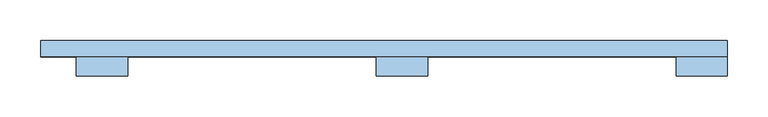
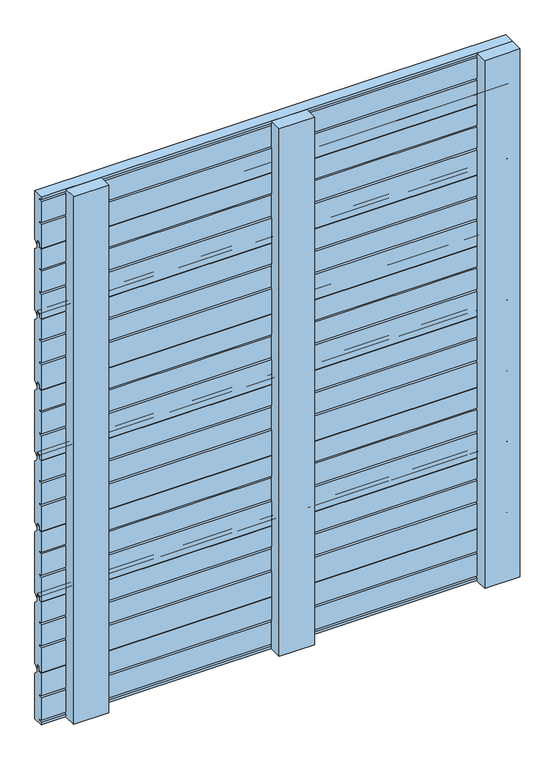
"""IFC4 building model written with IfcOpenShell, lengths in millimetres: window geometry."""

from ifc_helpers import new_model, si_unit, point, frame, frame_2d, origin, place, context, project, spatial, polyline, circle_curve, trimmed, segment, composite_curve, outline, extrude, source, transform, mapped, element, save


def window_1951578a(model_context):
    return source(origin(), model_context, "Body", "SweptSolid", [
        extrude(outline(composite_curve([segment(trimmed(circle_curve(frame_2d((65.5, 200.0)), 1.0), [point((66.5, 200.0))], [point((65.5, 199.0))], False, "CARTESIAN"), True, "CONTINUOUS"), segment(polyline([(65.5, 199.0), (60.0, 199.0), (60.0, 246.0), (66.5, 246.0), (66.5, 249.5), (60.5, 249.5), (60.5, 289.5), (66.5, 289.5), (66.5, 293.0), (60.0, 293.0), (60.0, 332.0), (66.5, 332.0), (66.5, 337.5)]), True, "CONTINUOUS"), segment(trimmed(circle_curve(frame_2d((68.0, 337.5)), 1.5), [point((66.5, 337.5))], [point((68.0, 339.0))], False, "CARTESIAN"), True, "CONTINUOUS"), segment(polyline([(68.0, 339.0), (71.5, 339.0)]), True, "CONTINUOUS"), segment(trimmed(circle_curve(frame_2d((71.5, 337.5)), 1.5), [point((71.5, 339.0))], [point((73.0, 337.5))], False, "CARTESIAN"), True, "CONTINUOUS"), segment(polyline([(73.0, 337.5), (73.0, 327.4142136)]), True, "CONTINUOUS"), segment(trimmed(circle_curve(frame_2d((74.0, 327.4142136)), 1.0), [point((73.0, 327.4142136))], [point((73.2928932, 326.7071068))], True, "CARTESIAN"), True, "CONTINUOUS"), segment(polyline([(73.2928932, 326.7071068), (79.5606602, 320.4393398)]), True, "CONTINUOUS"), segment(trimmed(circle_curve(frame_2d((78.5, 319.3786797)), 1.5), [point((79.5606602, 320.4393398))], [point((80.0, 319.3786797))], False, "CARTESIAN"), True, "CONTINUOUS"), segment(polyline([(80.0, 319.3786797), (80.0, 205.2071068)]), True, "CONTINUOUS"), segment(trimmed(circle_curve(frame_2d((78.5, 205.2071068)), 1.5), [point((80.0, 205.2071068))], [point((79.5606602, 204.1464466))], False, "CARTESIAN"), True, "CONTINUOUS"), segment(polyline([(79.5606602, 204.1464466), (74.7071068, 199.2928932)]), True, "CONTINUOUS"), segment(trimmed(circle_curve(frame_2d((74.0, 200.0)), 1.0), [point((74.7071068, 199.2928932))], [point((73.0, 200.0))], False, "CARTESIAN"), True, "CONTINUOUS"), segment(polyline([(73.0, 200.0), (73.0, 206.5)]), True, "CONTINUOUS"), segment(trimmed(circle_curve(frame_2d((71.5, 206.5)), 1.5), [point((73.0, 206.5))], [point((71.5, 208.0))], True, "CARTESIAN"), True, "CONTINUOUS"), segment(polyline([(71.5, 208.0), (68.0, 208.0)]), True, "CONTINUOUS"), segment(trimmed(circle_curve(frame_2d((68.0, 206.5)), 1.5), [point((68.0, 208.0))], [point((66.5, 206.5))], True, "CARTESIAN"), True, "CONTINUOUS"), segment(polyline([(66.5, 206.5), (66.5, 200.0)]), True, "CONTINUOUS")], self_intersect=False)), frame((-444.0, 0.0, 0.0), z_axis=(1.0, 0.0, 0.0), x_axis=(0.0, 1.0, 0.0)), (0.0, 0.0, 1.0), 844.0),
        extrude(outline(composite_curve([segment(trimmed(circle_curve(frame_2d((65.5, 334.0)), 1.0), [point((66.5, 334.0))], [point((65.5, 333.0))], False, "CARTESIAN"), True, "CONTINUOUS"), segment(polyline([(65.5, 333.0), (60.0, 333.0), (60.0, 380.0), (66.5, 380.0), (66.5, 383.5), (60.5, 383.5), (60.5, 423.5), (66.5, 423.5), (66.5, 427.0), (60.0, 427.0), (60.0, 466.0), (66.5, 466.0), (66.5, 471.5)]), True, "CONTINUOUS"), segment(trimmed(circle_curve(frame_2d((68.0, 471.5)), 1.5), [point((66.5, 471.5))], [point((68.0, 473.0))], False, "CARTESIAN"), True, "CONTINUOUS"), segment(polyline([(68.0, 473.0), (71.5, 473.0)]), True, "CONTINUOUS"), segment(trimmed(circle_curve(frame_2d((71.5, 471.5)), 1.5), [point((71.5, 473.0))], [point((73.0, 471.5))], False, "CARTESIAN"), True, "CONTINUOUS"), segment(polyline([(73.0, 471.5), (73.0, 461.4142136)]), True, "CONTINUOUS"), segment(trimmed(circle_curve(frame_2d((74.0, 461.4142136)), 1.0), [point((73.0, 461.4142136))], [point((73.2928932, 460.7071068))], True, "CARTESIAN"), True, "CONTINUOUS"), segment(polyline([(73.2928932, 460.7071068), (79.5606602, 454.4393398)]), True, "CONTINUOUS"), segment(trimmed(circle_curve(frame_2d((78.5, 453.3786797)), 1.5), [point((79.5606602, 454.4393398))], [point((80.0, 453.3786797))], False, "CARTESIAN"), True, "CONTINUOUS"), segment(polyline([(80.0, 453.3786797), (80.0, 339.2071068)]), True, "CONTINUOUS"), segment(trimmed(circle_curve(frame_2d((78.5, 339.2071068)), 1.5), [point((80.0, 339.2071068))], [point((79.5606602, 338.1464466))], False, "CARTESIAN"), True, "CONTINUOUS"), segment(polyline([(79.5606602, 338.1464466), (74.7071068, 333.2928932)]), True, "CONTINUOUS"), segment(trimmed(circle_curve(frame_2d((74.0, 334.0)), 1.0), [point((74.7071068, 333.2928932))], [point((73.0, 334.0))], False, "CARTESIAN"), True, "CONTINUOUS"), segment(polyline([(73.0, 334.0), (73.0, 340.5)]), True, "CONTINUOUS"), segment(trimmed(circle_curve(frame_2d((71.5, 340.5)), 1.5), [point((73.0, 340.5))], [point((71.5, 342.0))], True, "CARTESIAN"), True, "CONTINUOUS"), segment(polyline([(71.5, 342.0), (68.0, 342.0)]), True, "CONTINUOUS"), segment(trimmed(circle_curve(frame_2d((68.0, 340.5)), 1.5), [point((68.0, 342.0))], [point((66.5, 340.5))], True, "CARTESIAN"), True, "CONTINUOUS"), segment(polyline([(66.5, 340.5), (66.5, 334.0)]), True, "CONTINUOUS")], self_intersect=False)), frame((-444.0, 0.0, 0.0), z_axis=(1.0, 0.0, 0.0), x_axis=(0.0, 1.0, 0.0)), (0.0, 0.0, 1.0), 844.0),
        extrude(outline(composite_curve([segment(trimmed(circle_curve(frame_2d((65.5, 468.0)), 1.0), [point((66.5, 468.0))], [point((65.5, 467.0))], False, "CARTESIAN"), True, "CONTINUOUS"), segment(polyline([(65.5, 467.0), (60.0, 467.0), (60.0, 514.0), (66.5, 514.0), (66.5, 517.5), (60.5, 517.5), (60.5, 557.5), (66.5, 557.5), (66.5, 561.0), (60.0, 561.0), (60.0, 600.0), (66.5, 600.0), (66.5, 605.5)]), True, "CONTINUOUS"), segment(trimmed(circle_curve(frame_2d((68.0, 605.5)), 1.5), [point((66.5, 605.5))], [point((68.0, 607.0))], False, "CARTESIAN"), True, "CONTINUOUS"), segment(polyline([(68.0, 607.0), (71.5, 607.0)]), True, "CONTINUOUS"), segment(trimmed(circle_curve(frame_2d((71.5, 605.5)), 1.5), [point((71.5, 607.0))], [point((73.0, 605.5))], False, "CARTESIAN"), True, "CONTINUOUS"), segment(polyline([(73.0, 605.5), (73.0, 595.4142136)]), True, "CONTINUOUS"), segment(trimmed(circle_curve(frame_2d((74.0, 595.4142136)), 1.0), [point((73.0, 595.4142136))], [point((73.2928932, 594.7071068))], True, "CARTESIAN"), True, "CONTINUOUS"), segment(polyline([(73.2928932, 594.7071068), (79.5606602, 588.4393398)]), True, "CONTINUOUS"), segment(trimmed(circle_curve(frame_2d((78.5, 587.3786797)), 1.5), [point((79.5606602, 588.4393398))], [point((80.0, 587.3786797))], False, "CARTESIAN"), True, "CONTINUOUS"), segment(polyline([(80.0, 587.3786797), (80.0, 473.2071068)]), True, "CONTINUOUS"), segment(trimmed(circle_curve(frame_2d((78.5, 473.2071068)), 1.5), [point((80.0, 473.2071068))], [point((79.5606602, 472.1464466))], False, "CARTESIAN"), True, "CONTINUOUS"), segment(polyline([(79.5606602, 472.1464466), (74.7071068, 467.2928932)]), True, "CONTINUOUS"), segment(trimmed(circle_curve(frame_2d((74.0, 468.0)), 1.0), [point((74.7071068, 467.2928932))], [point((73.0, 468.0))], False, "CARTESIAN"), True, "CONTINUOUS"), segment(polyline([(73.0, 468.0), (73.0, 474.5)]), True, "CONTINUOUS"), segment(trimmed(circle_curve(frame_2d((71.5, 474.5)), 1.5), [point((73.0, 474.5))], [point((71.5, 476.0))], True, "CARTESIAN"), True, "CONTINUOUS"), segment(polyline([(71.5, 476.0), (68.0, 476.0)]), True, "CONTINUOUS"), segment(trimmed(circle_curve(frame_2d((68.0, 474.5)), 1.5), [point((68.0, 476.0))], [point((66.5, 474.5))], True, "CARTESIAN"), True, "CONTINUOUS"), segment(polyline([(66.5, 474.5), (66.5, 468.0)]), True, "CONTINUOUS")], self_intersect=False)), frame((-444.0, 0.0, 0.0), z_axis=(1.0, 0.0, 0.0), x_axis=(0.0, 1.0, 0.0)), (0.0, 0.0, 1.0), 844.0),
        extrude(outline(composite_curve([segment(trimmed(circle_curve(frame_2d((65.5, 602.0)), 1.0), [point((66.5, 602.0))], [point((65.5, 601.0))], False, "CARTESIAN"), True, "CONTINUOUS"), segment(polyline([(65.5, 601.0), (60.0, 601.0), (60.0, 648.0), (66.5, 648.0), (66.5, 651.5), (60.5, 651.5), (60.5, 691.5), (66.5, 691.5), (66.5, 695.0), (60.0, 695.0), (60.0, 734.0), (66.5, 734.0), (66.5, 739.5)]), True, "CONTINUOUS"), segment(trimmed(circle_curve(frame_2d((68.0, 739.5)), 1.5), [point((66.5, 739.5))], [point((68.0, 741.0))], False, "CARTESIAN"), True, "CONTINUOUS"), segment(polyline([(68.0, 741.0), (71.5, 741.0)]), True, "CONTINUOUS"), segment(trimmed(circle_curve(frame_2d((71.5, 739.5)), 1.5), [point((71.5, 741.0))], [point((73.0, 739.5))], False, "CARTESIAN"), True, "CONTINUOUS"), segment(polyline([(73.0, 739.5), (73.0, 729.4142136)]), True, "CONTINUOUS"), segment(trimmed(circle_curve(frame_2d((74.0, 729.4142136)), 1.0), [point((73.0, 729.4142136))], [point((73.2928932, 728.7071068))], True, "CARTESIAN"), True, "CONTINUOUS"), segment(polyline([(73.2928932, 728.7071068), (79.5606602, 722.4393398)]), True, "CONTINUOUS"), segment(trimmed(circle_curve(frame_2d((78.5, 721.3786797)), 1.5), [point((79.5606602, 722.4393398))], [point((80.0, 721.3786797))], False, "CARTESIAN"), True, "CONTINUOUS"), segment(polyline([(80.0, 721.3786797), (80.0, 607.2071068)]), True, "CONTINUOUS"), segment(trimmed(circle_curve(frame_2d((78.5, 607.2071068)), 1.5), [point((80.0, 607.2071068))], [point((79.5606602, 606.1464466))], False, "CARTESIAN"), True, "CONTINUOUS"), segment(polyline([(79.5606602, 606.1464466), (74.7071068, 601.2928932)]), True, "CONTINUOUS"), segment(trimmed(circle_curve(frame_2d((74.0, 602.0)), 1.0), [point((74.7071068, 601.2928932))], [point((73.0, 602.0))], False, "CARTESIAN"), True, "CONTINUOUS"), segment(polyline([(73.0, 602.0), (73.0, 608.5)]), True, "CONTINUOUS"), segment(trimmed(circle_curve(frame_2d((71.5, 608.5)), 1.5), [point((73.0, 608.5))], [point((71.5, 610.0))], True, "CARTESIAN"), True, "CONTINUOUS"), segment(polyline([(71.5, 610.0), (68.0, 610.0)]), True, "CONTINUOUS"), segment(trimmed(circle_curve(frame_2d((68.0, 608.5)), 1.5), [point((68.0, 610.0))], [point((66.5, 608.5))], True, "CARTESIAN"), True, "CONTINUOUS"), segment(polyline([(66.5, 608.5), (66.5, 602.0)]), True, "CONTINUOUS")], self_intersect=False)), frame((-444.0, 0.0, 0.0), z_axis=(1.0, 0.0, 0.0), x_axis=(0.0, 1.0, 0.0)), (0.0, 0.0, 1.0), 844.0),
        extrude(outline(composite_curve([segment(trimmed(circle_curve(frame_2d((65.5, 736.0)), 1.0), [point((66.5, 736.0))], [point((65.5, 735.0))], False, "CARTESIAN"), True, "CONTINUOUS"), segment(polyline([(65.5, 735.0), (60.0, 735.0), (60.0, 782.0), (66.5, 782.0), (66.5, 785.5), (60.5, 785.5), (60.5, 825.5), (66.5, 825.5), (66.5, 829.0), (60.0, 829.0), (60.0, 868.0), (66.5, 868.0), (66.5, 873.5)]), True, "CONTINUOUS"), segment(trimmed(circle_curve(frame_2d((68.0, 873.5)), 1.5), [point((66.5, 873.5))], [point((68.0, 875.0))], False, "CARTESIAN"), True, "CONTINUOUS"), segment(polyline([(68.0, 875.0), (71.5, 875.0)]), True, "CONTINUOUS"), segment(trimmed(circle_curve(frame_2d((71.5, 873.5)), 1.5), [point((71.5, 875.0))], [point((73.0, 873.5))], False, "CARTESIAN"), True, "CONTINUOUS"), segment(polyline([(73.0, 873.5), (73.0, 863.4142136)]), True, "CONTINUOUS"), segment(trimmed(circle_curve(frame_2d((74.0, 863.4142136)), 1.0), [point((73.0, 863.4142136))], [point((73.2928932, 862.7071068))], True, "CARTESIAN"), True, "CONTINUOUS"), segment(polyline([(73.2928932, 862.7071068), (79.5606602, 856.4393398)]), True, "CONTINUOUS"), segment(trimmed(circle_curve(frame_2d((78.5, 855.3786797)), 1.5), [point((79.5606602, 856.4393398))], [point((80.0, 855.3786797))], False, "CARTESIAN"), True, "CONTINUOUS"), segment(polyline([(80.0, 855.3786797), (80.0, 741.2071068)]), True, "CONTINUOUS"), segment(trimmed(circle_curve(frame_2d((78.5, 741.2071068)), 1.5), [point((80.0, 741.2071068))], [point((79.5606602, 740.1464466))], False, "CARTESIAN"), True, "CONTINUOUS"), segment(polyline([(79.5606602, 740.1464466), (74.7071068, 735.2928932)]), True, "CONTINUOUS"), segment(trimmed(circle_curve(frame_2d((74.0, 736.0)), 1.0), [point((74.7071068, 735.2928932))], [point((73.0, 736.0))], False, "CARTESIAN"), True, "CONTINUOUS"), segment(polyline([(73.0, 736.0), (73.0, 742.5)]), True, "CONTINUOUS"), segment(trimmed(circle_curve(frame_2d((71.5, 742.5)), 1.5), [point((73.0, 742.5))], [point((71.5, 744.0))], True, "CARTESIAN"), True, "CONTINUOUS"), segment(polyline([(71.5, 744.0), (68.0, 744.0)]), True, "CONTINUOUS"), segment(trimmed(circle_curve(frame_2d((68.0, 742.5)), 1.5), [point((68.0, 744.0))], [point((66.5, 742.5))], True, "CARTESIAN"), True, "CONTINUOUS"), segment(polyline([(66.5, 742.5), (66.5, 736.0)]), True, "CONTINUOUS")], self_intersect=False)), frame((-444.0, 0.0, 0.0), z_axis=(1.0, 0.0, 0.0), x_axis=(0.0, 1.0, 0.0)), (0.0, 0.0, 1.0), 844.0),
        extrude(outline(composite_curve([segment(trimmed(circle_curve(frame_2d((65.5, 870.0)), 1.0), [point((66.5, 870.0))], [point((65.5, 869.0))], False, "CARTESIAN"), True, "CONTINUOUS"), segment(polyline([(65.5, 869.0), (60.0, 869.0), (60.0, 916.0), (66.5, 916.0), (66.5, 919.5), (60.5, 919.5), (60.5, 959.5), (66.5, 959.5), (66.5, 963.0), (60.0, 963.0), (60.0, 1002.0), (66.5, 1002.0), (66.5, 1007.5)]), True, "CONTINUOUS"), segment(trimmed(circle_curve(frame_2d((68.0, 1007.5)), 1.5), [point((66.5, 1007.5))], [point((68.0, 1009.0))], False, "CARTESIAN"), True, "CONTINUOUS"), segment(polyline([(68.0, 1009.0), (71.5, 1009.0)]), True, "CONTINUOUS"), segment(trimmed(circle_curve(frame_2d((71.5, 1007.5)), 1.5), [point((71.5, 1009.0))], [point((73.0, 1007.5))], False, "CARTESIAN"), True, "CONTINUOUS"), segment(polyline([(73.0, 1007.5), (73.0, 997.4142136)]), True, "CONTINUOUS"), segment(trimmed(circle_curve(frame_2d((74.0, 997.4142136)), 1.0), [point((73.0, 997.4142136))], [point((73.2928932, 996.7071068))], True, "CARTESIAN"), True, "CONTINUOUS"), segment(polyline([(73.2928932, 996.7071068), (79.5606602, 990.4393398)]), True, "CONTINUOUS"), segment(trimmed(circle_curve(frame_2d((78.5, 989.3786797)), 1.5), [point((79.5606602, 990.4393398))], [point((80.0, 989.3786797))], False, "CARTESIAN"), True, "CONTINUOUS"), segment(polyline([(80.0, 989.3786797), (80.0, 875.2071068)]), True, "CONTINUOUS"), segment(trimmed(circle_curve(frame_2d((78.5, 875.2071068)), 1.5), [point((80.0, 875.2071068))], [point((79.5606602, 874.1464466))], False, "CARTESIAN"), True, "CONTINUOUS"), segment(polyline([(79.5606602, 874.1464466), (74.7071068, 869.2928932)]), True, "CONTINUOUS"), segment(trimmed(circle_curve(frame_2d((74.0, 870.0)), 1.0), [point((74.7071068, 869.2928932))], [point((73.0, 870.0))], False, "CARTESIAN"), True, "CONTINUOUS"), segment(polyline([(73.0, 870.0), (73.0, 876.5)]), True, "CONTINUOUS"), segment(trimmed(circle_curve(frame_2d((71.5, 876.5)), 1.5), [point((73.0, 876.5))], [point((71.5, 878.0))], True, "CARTESIAN"), True, "CONTINUOUS"), segment(polyline([(71.5, 878.0), (68.0, 878.0)]), True, "CONTINUOUS"), segment(trimmed(circle_curve(frame_2d((68.0, 876.5)), 1.5), [point((68.0, 878.0))], [point((66.5, 876.5))], True, "CARTESIAN"), True, "CONTINUOUS"), segment(polyline([(66.5, 876.5), (66.5, 870.0)]), True, "CONTINUOUS")], self_intersect=False)), frame((-444.0, 0.0, 0.0), z_axis=(1.0, 0.0, 0.0), x_axis=(0.0, 1.0, 0.0)), (0.0, 0.0, 1.0), 844.0),
        extrude(outline(composite_curve([segment(trimmed(circle_curve(frame_2d((78.5, 185.3786797)), 1.5), [point((79.5606602, 186.4393398))], [point((80.0, 185.3786797))], False, "CARTESIAN"), True, "CONTINUOUS"), segment(polyline([(80.0, 185.3786797), (80.0, 100.0), (60.5, 100.0), (60.5, 104.8778597), (66.5, 104.8778597), (66.5, 108.3778597), (60.5, 108.3778597), (60.5, 151.4389298), (66.5, 151.4389298), (66.5, 154.9389298), (60.0, 154.9389298), (60.0, 198.0), (66.5, 198.0), (66.5, 204.5)]), True, "CONTINUOUS"), segment(trimmed(circle_curve(frame_2d((68.0, 204.5)), 1.5), [point((66.5, 204.5))], [point((68.0, 206.0))], False, "CARTESIAN"), True, "CONTINUOUS"), segment(polyline([(68.0, 206.0), (71.5, 206.0)]), True, "CONTINUOUS"), segment(trimmed(circle_curve(frame_2d((71.5, 204.5)), 1.5), [point((71.5, 206.0))], [point((73.0, 204.5))], False, "CARTESIAN"), True, "CONTINUOUS"), segment(polyline([(73.0, 204.5), (73.0, 193.4142136)]), True, "CONTINUOUS"), segment(trimmed(circle_curve(frame_2d((74.0, 193.4142136)), 1.0), [point((73.0, 193.4142136))], [point((73.2928932, 192.7071068))], True, "CARTESIAN"), True, "CONTINUOUS"), segment(polyline([(73.2928932, 192.7071068), (79.5606602, 186.4393398)]), True, "CONTINUOUS")], self_intersect=False)), frame((-444.0, 0.0, 0.0), z_axis=(1.0, 0.0, 0.0), x_axis=(0.0, 1.0, 0.0)), (0.0, 0.0, 1.0), 844.0),
        extrude(outline(composite_curve([segment(trimmed(circle_curve(frame_2d((65.5, 1004.0)), 1.0), [point((66.5, 1004.0))], [point((65.5, 1003.0))], False, "CARTESIAN"), True, "CONTINUOUS"), segment(polyline([(65.5, 1003.0), (60.0, 1003.0), (60.0, 1048.0), (66.5, 1048.0), (66.5, 1051.5), (60.5, 1051.5), (60.5, 1091.5), (66.5, 1091.5), (66.5, 1095.0), (60.0, 1095.0), (60.0, 1100.0), (80.0, 1100.0), (80.0, 1009.2071068)]), True, "CONTINUOUS"), segment(trimmed(circle_curve(frame_2d((78.5, 1009.2071068)), 1.5), [point((80.0, 1009.2071068))], [point((79.5606602, 1008.1464466))], False, "CARTESIAN"), True, "CONTINUOUS"), segment(polyline([(79.5606602, 1008.1464466), (74.7071068, 1003.2928932)]), True, "CONTINUOUS"), segment(trimmed(circle_curve(frame_2d((74.0, 1004.0)), 1.0), [point((74.7071068, 1003.2928932))], [point((73.0, 1004.0))], False, "CARTESIAN"), True, "CONTINUOUS"), segment(polyline([(73.0, 1004.0), (73.0, 1010.5)]), True, "CONTINUOUS"), segment(trimmed(circle_curve(frame_2d((71.5, 1010.5)), 1.5), [point((73.0, 1010.5))], [point((71.5, 1012.0))], True, "CARTESIAN"), True, "CONTINUOUS"), segment(polyline([(71.5, 1012.0), (68.0, 1012.0)]), True, "CONTINUOUS"), segment(trimmed(circle_curve(frame_2d((68.0, 1010.5)), 1.5), [point((68.0, 1012.0))], [point((66.5, 1010.5))], True, "CARTESIAN"), True, "CONTINUOUS"), segment(polyline([(66.5, 1010.5), (66.5, 1004.0)]), True, "CONTINUOUS")], self_intersect=False)), frame((-444.0, 0.0, 0.0), z_axis=(1.0, 0.0, 0.0), x_axis=(0.0, 1.0, 0.0)), (0.0, 0.0, 1.0), 844.0),
        extrude(outline(polyline([(-31.5, 60.1), (31.5, 60.1), (31.5, 36.1), (-31.5, 36.1), (-31.5, 60.1)])), frame((0.0, 0.0, 100.0), z_axis=(0.0, 0.0, 1.0), x_axis=(1.0, 0.0, 0.0)), (0.0, 0.0, 1.0), 1000.0),
        extrude(outline(polyline([(-400.0, 60.0), (-337.0, 60.0), (-337.0, 36.0), (-400.0, 36.0), (-400.0, 60.0)])), frame((0.0, 0.0, 100.0), z_axis=(0.0, 0.0, 1.0), x_axis=(1.0, 0.0, 0.0)), (0.0, 0.0, 1.0), 1000.0),
        extrude(outline(polyline([(337.0, 60.0), (400.0, 60.0), (400.0, 36.0), (337.0, 36.0), (337.0, 60.0)])), frame((0.0, 0.0, 100.0), z_axis=(0.0, 0.0, 1.0), x_axis=(1.0, 0.0, 0.0)), (0.0, 0.0, 1.0), 1000.0),
    ])


if __name__ == "__main__":
    model = new_model("IFC4")
    model_context = context("Model", 3, world=origin())
    ifc_project = project(units=[si_unit("LENGTHUNIT", "METRE", prefix="MILLI")], contexts=[model_context])
    site = spatial("IfcSite", under=ifc_project)
    building = spatial("IfcBuilding", under=site)
    placement = place(None, origin())
    window_shape = window_1951578a(model_context)
    element("IfcWindow", 1, at=placement, inside=building, context=model_context, shape_type="MappedRepresentation", body=[
        mapped(window_shape, transform((0.0, 0.0, 0.0), x_axis=(1.0, 0.0, 0.0), y_axis=(0.0, 1.0, 0.0), z_axis=(0.0, 0.0, 1.0))),
    ])
    save(model, "model.ifc")
